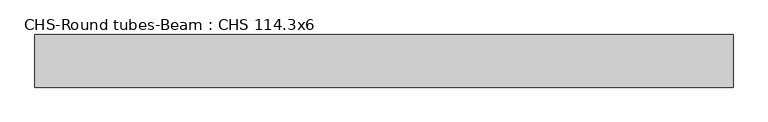
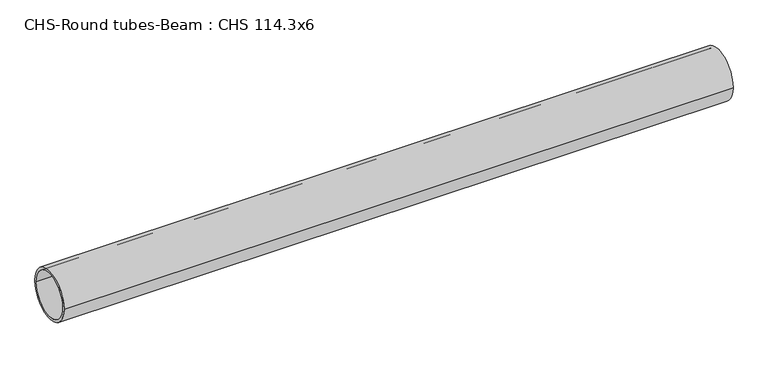
"""IFC4 building model written with IfcOpenShell, lengths in millimetres: beam geometry, CHS-Round tubes-Beam : CHS 114.3x6."""

import ifcopenshell
import ifcopenshell.guid

model = None  # the IFC model being written
_history = None  # IfcOwnerHistory: only IFC2X3 demands one
_inside = {}  # id of a spatial element -> (the spatial element, [elements in it])
_under = {}  # id of a project, library or spatial element -> (it, [spatial elements below it])
_declared = {}  # id of a project -> (the project, [libraries it declares])
_typed = {}  # id of a type object -> (the type object, [elements of that type])
_made_of = {}  # id of a material, layer set ... -> (it, [elements and type objects made of it])


def new_model(schema):
    """Start an empty IFC model of exactly this schema.

    Asked for "IFC4X3", IfcOpenShell would pick the latest addendum, in which some entities
    have other attributes; the version numbers below select the first issue.
    IFC2X3 requires an IfcOwnerHistory on every rooted entity: one is made here for all.
    """
    global model, _history
    if schema == "IFC4X3":
        model = ifcopenshell.file(schema_version=(4, 3, 0, 0))
    else:
        model = ifcopenshell.file(schema=schema)
    _inside.clear()
    _under.clear()
    _declared.clear()
    _typed.clear()
    _made_of.clear()
    _history = None
    if model.schema == "IFC2X3":
        org = make("IfcOrganization", Name="unknown")
        user = make(
            "IfcPersonAndOrganization",
            ThePerson=make("IfcPerson", FamilyName="unknown"),
            TheOrganization=org,
        )
        app = make(
            "IfcApplication",
            ApplicationDeveloper=org,
            Version="unknown",
            ApplicationFullName="unknown",
            ApplicationIdentifier="unknown",
        )
        _history = make(
            "IfcOwnerHistory",
            OwningUser=user,
            OwningApplication=app,
            ChangeAction="ADDED",
            CreationDate=0,
        )
    return model


def make(cls, **values):
    """One entity of the class cls with the attributes given. An attribute that is None is left unset."""
    return model.create_entity(
        cls, **{name: value for name, value in values.items() if value is not None}
    )


def rooted(cls, **values):
    """An entity with a GlobalId (a new one), such as an element, a storey or a relation."""
    return make(cls, GlobalId=ifcopenshell.guid.new(), OwnerHistory=_history, **values)


def si_unit(unit_type, name, prefix=None):
    """IfcSIUnit, for example si_unit("LENGTHUNIT", "METRE", prefix="MILLI")."""
    return make("IfcSIUnit", UnitType=unit_type, Prefix=prefix, Name=name)


def assignment(units):
    """IfcUnitAssignment: the units of a project."""
    return None if units is None else make("IfcUnitAssignment", Units=units)


def point(xyz):
    """IfcCartesianPoint."""
    return None if xyz is None else make("IfcCartesianPoint", Coordinates=xyz)


def direction(xyz):
    """IfcDirection."""
    return None if xyz is None else make("IfcDirection", DirectionRatios=xyz)


def frame(location, z_axis=None, x_axis=None):
    """IfcAxis2Placement3D, a coordinate frame: its origin and axes. An axis left out is left unset."""
    return make(
        "IfcAxis2Placement3D",
        Location=point(location),
        Axis=direction(z_axis),
        RefDirection=direction(x_axis),
    )


def frame_2d(location, x_axis=None):
    """IfcAxis2Placement2D, a coordinate frame in the plane: its origin and x axis."""
    return make(
        "IfcAxis2Placement2D", Location=point(location), RefDirection=direction(x_axis)
    )


def origin():
    """The frame at (0, 0, 0) with its axes left unset."""
    return frame((0.0, 0.0, 0.0))


def origin_2d():
    """The frame at (0, 0) in the plane with its x axis left unset."""
    return frame_2d((0.0, 0.0))


def place(relative_to, where):
    """IfcLocalPlacement: puts the frame where relative to a parent placement (None: the world)."""
    return make(
        "IfcLocalPlacement", PlacementRelTo=relative_to, RelativePlacement=where
    )


def context(
    kind, dimensions, precision=None, world=None, true_north=None, identifier=None
):
    """IfcGeometricRepresentationContext, for example the 3D "Model" context."""
    return make(
        "IfcGeometricRepresentationContext",
        ContextIdentifier=identifier,
        ContextType=kind,
        CoordinateSpaceDimension=dimensions,
        Precision=precision,
        WorldCoordinateSystem=world,
        TrueNorth=true_north,
    )


def project(units=None, contexts=None):
    """IfcProject with its units and contexts."""
    return rooted(
        "IfcProject",
        Name="project",
        RepresentationContexts=contexts,
        UnitsInContext=assignment(units),
    )


def spatial(cls, under=None, at=None, **own):
    """A site, building, storey or space (cls), placed at a placement, below another one or the project."""
    s = rooted(cls, ObjectPlacement=at, **own)
    if under is not None:
        _under.setdefault(under.id(), (under, []))[1].append(s)
    return s


def circle_curve(where, radius):
    """IfcCircle in the frame where."""
    return make("IfcCircle", Position=where, Radius=radius)


def trimmed(basis, trim1, trim2, sense, master):
    """IfcTrimmedCurve: the piece of a basis curve between two trims."""
    return make(
        "IfcTrimmedCurve",
        BasisCurve=basis,
        Trim1=trim1,
        Trim2=trim2,
        SenseAgreement=sense,
        MasterRepresentation=master,
    )


def segment(curve, same_sense, transition):
    """IfcCompositeCurveSegment."""
    return make(
        "IfcCompositeCurveSegment",
        Transition=transition,
        SameSense=same_sense,
        ParentCurve=curve,
    )


def composite_curve(segments, self_intersect=None):
    """IfcCompositeCurve: segments joined end to end."""
    return make("IfcCompositeCurve", Segments=segments, SelfIntersect=self_intersect)


def outline(outer, holes=None, kind="AREA"):
    """IfcArbitraryClosedProfileDef: a profile drawn as a closed curve; with holes, ...WithVoids."""
    if holes is None:
        return make("IfcArbitraryClosedProfileDef", ProfileType=kind, OuterCurve=outer)
    return make(
        "IfcArbitraryProfileDefWithVoids",
        ProfileType=kind,
        OuterCurve=outer,
        InnerCurves=holes,
    )


def extrude(swept, where, along, depth):
    """IfcExtrudedAreaSolid: the profile swept, set in the frame where, extruded along a direction by depth."""
    return make(
        "IfcExtrudedAreaSolid",
        SweptArea=swept,
        Position=where,
        ExtrudedDirection=direction(along),
        Depth=depth,
    )


def shape(context_of_items, identifier, shape_type, items):
    """IfcShapeRepresentation: the items that make up one representation, for example the "Body"."""
    return make(
        "IfcShapeRepresentation",
        ContextOfItems=context_of_items,
        RepresentationIdentifier=identifier,
        RepresentationType=shape_type,
        Items=items,
    )


def source(mapping_origin, context_of_items, identifier, shape_type, items):
    """IfcRepresentationMap: a shape defined once, which mapped items show again and again."""
    return make(
        "IfcRepresentationMap",
        MappingOrigin=mapping_origin,
        MappedRepresentation=shape(context_of_items, identifier, shape_type, items),
    )


def transform(
    local_origin,
    x_axis=None,
    y_axis=None,
    z_axis=None,
    scale=None,
    scale2=None,
    scale3=None,
    uniform=True,
):
    """IfcCartesianTransformationOperator3D, or its non-uniform kind. x_axis, y_axis, z_axis: its Axis1, 2, 3."""
    if uniform:
        return make(
            "IfcCartesianTransformationOperator3D",
            Axis1=direction(x_axis),
            Axis2=direction(y_axis),
            LocalOrigin=point(local_origin),
            Scale=scale,
            Axis3=direction(z_axis),
        )
    return make(
        "IfcCartesianTransformationOperator3DnonUniform",
        Axis1=direction(x_axis),
        Axis2=direction(y_axis),
        LocalOrigin=point(local_origin),
        Scale=scale,
        Axis3=direction(z_axis),
        Scale2=scale2,
        Scale3=scale3,
    )


def mapped(mapping_source, mapping_target):
    """IfcMappedItem: shows the shape of a source again, moved by a transform."""
    return make(
        "IfcMappedItem", MappingSource=mapping_source, MappingTarget=mapping_target
    )


def made_of(thing, what):
    """Note that an element or type object is made of a material, layer set ...; save() writes the relation."""
    if what is not None:
        _made_of.setdefault(what.id(), (what, []))[1].append(thing)
    return thing


def element(
    cls,
    number,
    at=None,
    inside=None,
    cuts=None,
    type_object=None,
    material=None,
    context=None,
    identifier="Body",
    shape_type=None,
    held_by="IfcProductDefinitionShape",
    body=None,
    shapes=None,
    **own,
):
    """One element of the class cls, such as IfcWall. Its Tag is "e" and its number.

    at: its placement. inside: the storey or other place that contains it. cuts: it is an
    opening in that element (IfcRelVoidsElement). A single representation is given by context,
    identifier, shape_type and body (its items); several are given by shapes. held_by: the class
    of the entity that holds the representations. save() writes the other relations.
    """
    e = rooted(cls, Tag="e%d" % number, ObjectPlacement=at, **own)
    if body is not None:
        shapes = [shape(context, identifier, shape_type, body)]
    if shapes is not None:
        e.Representation = make(held_by, Representations=shapes)
    if inside is not None:
        _inside.setdefault(inside.id(), (inside, []))[1].append(e)
    if cuts is not None:
        rooted(
            "IfcRelVoidsElement", RelatingBuildingElement=cuts, RelatedOpeningElement=e
        )
    if type_object is not None:
        _typed.setdefault(type_object.id(), (type_object, []))[1].append(e)
    return made_of(e, material)


def aggregate(whole, parts):
    """IfcRelAggregates: a whole, such as a stair, and the parts it consists of."""
    return rooted("IfcRelAggregates", RelatingObject=whole, RelatedObjects=parts)


def save(model, path):
    """Write the relations noted so far, then the file.

    IfcRelAggregates (storeys below a building ...), IfcRelContainedInSpatialStructure (elements
    in a storey), IfcRelDefinesByType, IfcRelAssociatesMaterial and IfcRelDeclares: one each for
    every whole, place, type object, material and project.
    """
    for whole, parts in _under.values():
        aggregate(whole, parts)
    for where, things in _inside.values():
        rooted(
            "IfcRelContainedInSpatialStructure",
            RelatedElements=things,
            RelatingStructure=where,
        )
    for kind, things in _typed.values():
        rooted("IfcRelDefinesByType", RelatedObjects=things, RelatingType=kind)
    for what, things in _made_of.values():
        rooted("IfcRelAssociatesMaterial", RelatedObjects=things, RelatingMaterial=what)
    for by, libraries in _declared.values():
        rooted("IfcRelDeclares", RelatingContext=by, RelatedDefinitions=libraries)
    model.write(path)


def chs_round_tubes_beam_chs_114_3x6_e6629dcc(model_context):
    return source(origin(), model_context, "Body", "SweptSolid", [
        extrude(outline(composite_curve([segment(trimmed(circle_curve(origin_2d(), 57.15), [point((57.15, 0.0))], [point((-57.15, 0.0))], False, "CARTESIAN"), True, "CONTINUOUS"), segment(trimmed(circle_curve(origin_2d(), 57.15), [point((-57.15, 0.0))], [point((57.15, 0.0))], False, "CARTESIAN"), True, "CONTINUOUS")], self_intersect=False), holes=[composite_curve([segment(trimmed(circle_curve(origin_2d(), 51.15), [point((51.15, 0.0))], [point((-51.15, 0.0))], True, "CARTESIAN"), True, "CONTINUOUS"), segment(trimmed(circle_curve(origin_2d(), 51.15), [point((-51.15, 0.0))], [point((51.15, 0.0))], True, "CARTESIAN"), True, "CONTINUOUS")], self_intersect=False)]), frame((-735.5698072, 0.0, 0.0), z_axis=(1.0, 0.0, 0.0), x_axis=(0.0, 1.0, 0.0)), (0.0, 0.0, 1.0), 1517.0472644),
    ])


if __name__ == "__main__":
    model = new_model("IFC4")
    model_context = context("Model", 3, world=origin())
    ifc_project = project(units=[si_unit("LENGTHUNIT", "METRE", prefix="MILLI")], contexts=[model_context])
    site = spatial("IfcSite", under=ifc_project)
    building = spatial("IfcBuilding", under=site)
    placement = place(None, origin())
    chs_round_tubes_beam_chs_114_3x6_shape = chs_round_tubes_beam_chs_114_3x6_e6629dcc(model_context)
    element("IfcBeam", 1, ObjectType="CHS-Round tubes-Beam : CHS 114.3x6", at=placement, inside=building, context=model_context, shape_type="MappedRepresentation", body=[
        mapped(chs_round_tubes_beam_chs_114_3x6_shape, transform((0.0, 0.0, 0.0), x_axis=(1.0, 0.0, 0.0), y_axis=(0.0, 1.0, 0.0), z_axis=(0.0, 0.0, 1.0))),
    ])
    save(model, "model.ifc")
